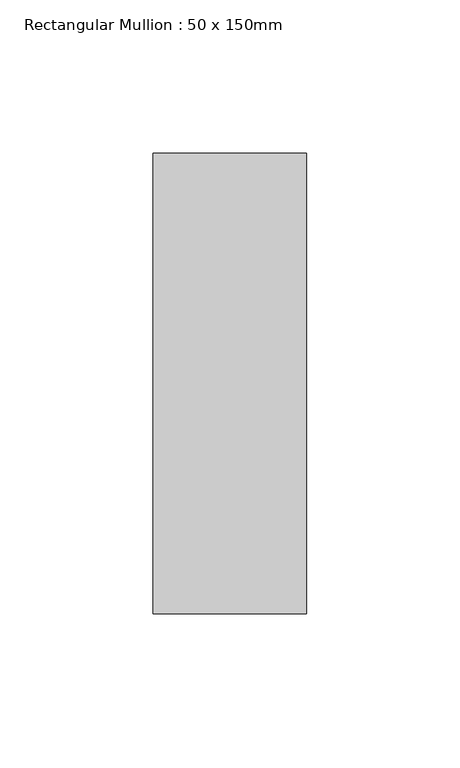
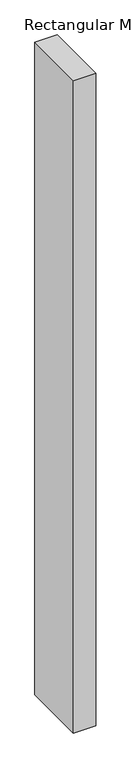
"""IFC4 building model written with IfcOpenShell, lengths in millimetres: member geometry, Rectangular Mullion : 50 x 150mm."""

from ifc_helpers import new_model, si_unit, frame, origin, place, context, project, spatial, polyline, outline, extrude, source, transform, mapped, element, save


def rectangular_mullion_50_x_150mm_9fd65790(model_context):
    return source(origin(), model_context, "Body", "SweptSolid", [
        extrude(outline(polyline([(0.0, 75.0), (0.0, -75.0), (-50.0, -75.0), (-50.0, 75.0), (0.0, 75.0)])), frame((0.0, 0.0, -1549.0418772), z_axis=(0.0, 0.0, 1.0), x_axis=(1.0, 0.0, 0.0)), (0.0, 0.0, 1.0), 1549.0418772),
    ])


if __name__ == "__main__":
    model = new_model("IFC4")
    model_context = context("Model", 3, world=origin())
    ifc_project = project(units=[si_unit("LENGTHUNIT", "METRE", prefix="MILLI")], contexts=[model_context])
    site = spatial("IfcSite", under=ifc_project)
    building = spatial("IfcBuilding", under=site)
    placement = place(None, origin())
    rectangular_mullion_50_x_150mm_shape = rectangular_mullion_50_x_150mm_9fd65790(model_context)
    element("IfcMember", 1, ObjectType="Rectangular Mullion : 50 x 150mm", at=placement, inside=building, context=model_context, shape_type="MappedRepresentation", body=[
        mapped(rectangular_mullion_50_x_150mm_shape, transform((0.0, 0.0, 0.0), x_axis=(1.0, 0.0, 0.0), y_axis=(0.0, 1.0, 0.0), z_axis=(0.0, 0.0, 1.0))),
    ])
    save(model, "model.ifc")
